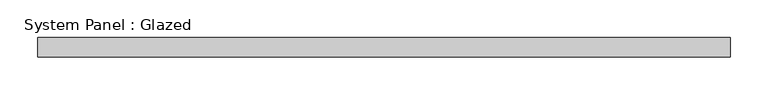
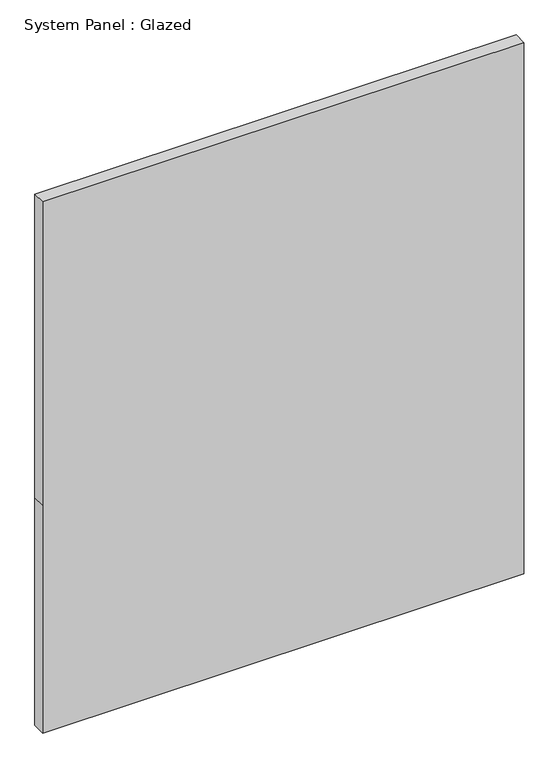
"""IFC4 building model written with IfcOpenShell, lengths in millimetres: plate geometry, System Panel : Glazed."""

from ifc_helpers import new_model, si_unit, frame, origin, place, context, project, spatial, polyline, outline, extrude, source, transform, mapped, element, save


def system_panel_glazed_4918b1a8(model_context):
    return source(origin(), model_context, "Body", "SweptSolid", [
        extrude(outline(polyline([(0.0, -457.2), (0.0, 457.2), (457.2, 457.2), (1066.8, 457.2), (1066.8, -457.2), (457.2, -457.2), (0.0, -457.2)])), frame((0.0, -44.45, 0.0), z_axis=(0.0, 1.0, 0.0), x_axis=(0.0, 0.0, 1.0)), (0.0, 0.0, 1.0), 25.4),
    ])


if __name__ == "__main__":
    model = new_model("IFC4")
    model_context = context("Model", 3, world=origin())
    ifc_project = project(units=[si_unit("LENGTHUNIT", "METRE", prefix="MILLI")], contexts=[model_context])
    site = spatial("IfcSite", under=ifc_project)
    building = spatial("IfcBuilding", under=site)
    placement = place(None, origin())
    system_panel_glazed_shape = system_panel_glazed_4918b1a8(model_context)
    element("IfcPlate", 1, ObjectType="System Panel : Glazed", at=placement, inside=building, context=model_context, shape_type="MappedRepresentation", body=[
        mapped(system_panel_glazed_shape, transform((0.0, 0.0, 0.0), x_axis=(1.0, 0.0, 0.0), y_axis=(0.0, 1.0, 0.0), z_axis=(0.0, 0.0, 1.0))),
    ])
    save(model, "model.ifc")
